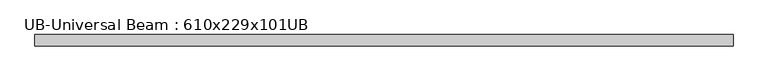
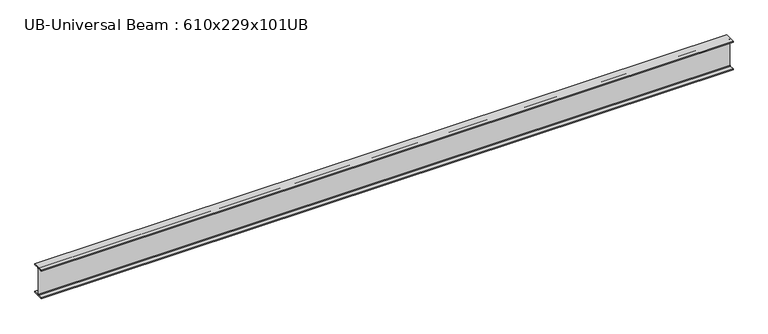
"""IFC4 building model written with IfcOpenShell, lengths in millimetres: beam geometry, UB-Universal Beam : 610x229x101UB."""

import ifcopenshell
import ifcopenshell.guid

model = None  # the IFC model being written
_history = None  # IfcOwnerHistory: only IFC2X3 demands one
_inside = {}  # id of a spatial element -> (the spatial element, [elements in it])
_under = {}  # id of a project, library or spatial element -> (it, [spatial elements below it])
_declared = {}  # id of a project -> (the project, [libraries it declares])
_typed = {}  # id of a type object -> (the type object, [elements of that type])
_made_of = {}  # id of a material, layer set ... -> (it, [elements and type objects made of it])


def new_model(schema):
    """Start an empty IFC model of exactly this schema.

    Asked for "IFC4X3", IfcOpenShell would pick the latest addendum, in which some entities
    have other attributes; the version numbers below select the first issue.
    IFC2X3 requires an IfcOwnerHistory on every rooted entity: one is made here for all.
    """
    global model, _history
    if schema == "IFC4X3":
        model = ifcopenshell.file(schema_version=(4, 3, 0, 0))
    else:
        model = ifcopenshell.file(schema=schema)
    _inside.clear()
    _under.clear()
    _declared.clear()
    _typed.clear()
    _made_of.clear()
    _history = None
    if model.schema == "IFC2X3":
        org = make("IfcOrganization", Name="unknown")
        user = make(
            "IfcPersonAndOrganization",
            ThePerson=make("IfcPerson", FamilyName="unknown"),
            TheOrganization=org,
        )
        app = make(
            "IfcApplication",
            ApplicationDeveloper=org,
            Version="unknown",
            ApplicationFullName="unknown",
            ApplicationIdentifier="unknown",
        )
        _history = make(
            "IfcOwnerHistory",
            OwningUser=user,
            OwningApplication=app,
            ChangeAction="ADDED",
            CreationDate=0,
        )
    return model


def make(cls, **values):
    """One entity of the class cls with the attributes given. An attribute that is None is left unset."""
    return model.create_entity(
        cls, **{name: value for name, value in values.items() if value is not None}
    )


def rooted(cls, **values):
    """An entity with a GlobalId (a new one), such as an element, a storey or a relation."""
    return make(cls, GlobalId=ifcopenshell.guid.new(), OwnerHistory=_history, **values)


def si_unit(unit_type, name, prefix=None):
    """IfcSIUnit, for example si_unit("LENGTHUNIT", "METRE", prefix="MILLI")."""
    return make("IfcSIUnit", UnitType=unit_type, Prefix=prefix, Name=name)


def assignment(units):
    """IfcUnitAssignment: the units of a project."""
    return None if units is None else make("IfcUnitAssignment", Units=units)


def point(xyz):
    """IfcCartesianPoint."""
    return None if xyz is None else make("IfcCartesianPoint", Coordinates=xyz)


def direction(xyz):
    """IfcDirection."""
    return None if xyz is None else make("IfcDirection", DirectionRatios=xyz)


def frame(location, z_axis=None, x_axis=None):
    """IfcAxis2Placement3D, a coordinate frame: its origin and axes. An axis left out is left unset."""
    return make(
        "IfcAxis2Placement3D",
        Location=point(location),
        Axis=direction(z_axis),
        RefDirection=direction(x_axis),
    )


def frame_2d(location, x_axis=None):
    """IfcAxis2Placement2D, a coordinate frame in the plane: its origin and x axis."""
    return make(
        "IfcAxis2Placement2D", Location=point(location), RefDirection=direction(x_axis)
    )


def origin():
    """The frame at (0, 0, 0) with its axes left unset."""
    return frame((0.0, 0.0, 0.0))


def place(relative_to, where):
    """IfcLocalPlacement: puts the frame where relative to a parent placement (None: the world)."""
    return make(
        "IfcLocalPlacement", PlacementRelTo=relative_to, RelativePlacement=where
    )


def context(
    kind, dimensions, precision=None, world=None, true_north=None, identifier=None
):
    """IfcGeometricRepresentationContext, for example the 3D "Model" context."""
    return make(
        "IfcGeometricRepresentationContext",
        ContextIdentifier=identifier,
        ContextType=kind,
        CoordinateSpaceDimension=dimensions,
        Precision=precision,
        WorldCoordinateSystem=world,
        TrueNorth=true_north,
    )


def project(units=None, contexts=None):
    """IfcProject with its units and contexts."""
    return rooted(
        "IfcProject",
        Name="project",
        RepresentationContexts=contexts,
        UnitsInContext=assignment(units),
    )


def spatial(cls, under=None, at=None, **own):
    """A site, building, storey or space (cls), placed at a placement, below another one or the project."""
    s = rooted(cls, ObjectPlacement=at, **own)
    if under is not None:
        _under.setdefault(under.id(), (under, []))[1].append(s)
    return s


def polyline(points):
    """IfcPolyline through the points."""
    return make("IfcPolyline", Points=[point(p) for p in points])


def circle_curve(where, radius):
    """IfcCircle in the frame where."""
    return make("IfcCircle", Position=where, Radius=radius)


def trimmed(basis, trim1, trim2, sense, master):
    """IfcTrimmedCurve: the piece of a basis curve between two trims."""
    return make(
        "IfcTrimmedCurve",
        BasisCurve=basis,
        Trim1=trim1,
        Trim2=trim2,
        SenseAgreement=sense,
        MasterRepresentation=master,
    )


def segment(curve, same_sense, transition):
    """IfcCompositeCurveSegment."""
    return make(
        "IfcCompositeCurveSegment",
        Transition=transition,
        SameSense=same_sense,
        ParentCurve=curve,
    )


def composite_curve(segments, self_intersect=None):
    """IfcCompositeCurve: segments joined end to end."""
    return make("IfcCompositeCurve", Segments=segments, SelfIntersect=self_intersect)


def outline(outer, holes=None, kind="AREA"):
    """IfcArbitraryClosedProfileDef: a profile drawn as a closed curve; with holes, ...WithVoids."""
    if holes is None:
        return make("IfcArbitraryClosedProfileDef", ProfileType=kind, OuterCurve=outer)
    return make(
        "IfcArbitraryProfileDefWithVoids",
        ProfileType=kind,
        OuterCurve=outer,
        InnerCurves=holes,
    )


def extrude(swept, where, along, depth):
    """IfcExtrudedAreaSolid: the profile swept, set in the frame where, extruded along a direction by depth."""
    return make(
        "IfcExtrudedAreaSolid",
        SweptArea=swept,
        Position=where,
        ExtrudedDirection=direction(along),
        Depth=depth,
    )


def shape(context_of_items, identifier, shape_type, items):
    """IfcShapeRepresentation: the items that make up one representation, for example the "Body"."""
    return make(
        "IfcShapeRepresentation",
        ContextOfItems=context_of_items,
        RepresentationIdentifier=identifier,
        RepresentationType=shape_type,
        Items=items,
    )


def source(mapping_origin, context_of_items, identifier, shape_type, items):
    """IfcRepresentationMap: a shape defined once, which mapped items show again and again."""
    return make(
        "IfcRepresentationMap",
        MappingOrigin=mapping_origin,
        MappedRepresentation=shape(context_of_items, identifier, shape_type, items),
    )


def transform(
    local_origin,
    x_axis=None,
    y_axis=None,
    z_axis=None,
    scale=None,
    scale2=None,
    scale3=None,
    uniform=True,
):
    """IfcCartesianTransformationOperator3D, or its non-uniform kind. x_axis, y_axis, z_axis: its Axis1, 2, 3."""
    if uniform:
        return make(
            "IfcCartesianTransformationOperator3D",
            Axis1=direction(x_axis),
            Axis2=direction(y_axis),
            LocalOrigin=point(local_origin),
            Scale=scale,
            Axis3=direction(z_axis),
        )
    return make(
        "IfcCartesianTransformationOperator3DnonUniform",
        Axis1=direction(x_axis),
        Axis2=direction(y_axis),
        LocalOrigin=point(local_origin),
        Scale=scale,
        Axis3=direction(z_axis),
        Scale2=scale2,
        Scale3=scale3,
    )


def mapped(mapping_source, mapping_target):
    """IfcMappedItem: shows the shape of a source again, moved by a transform."""
    return make(
        "IfcMappedItem", MappingSource=mapping_source, MappingTarget=mapping_target
    )


def made_of(thing, what):
    """Note that an element or type object is made of a material, layer set ...; save() writes the relation."""
    if what is not None:
        _made_of.setdefault(what.id(), (what, []))[1].append(thing)
    return thing


def element(
    cls,
    number,
    at=None,
    inside=None,
    cuts=None,
    type_object=None,
    material=None,
    context=None,
    identifier="Body",
    shape_type=None,
    held_by="IfcProductDefinitionShape",
    body=None,
    shapes=None,
    **own,
):
    """One element of the class cls, such as IfcWall. Its Tag is "e" and its number.

    at: its placement. inside: the storey or other place that contains it. cuts: it is an
    opening in that element (IfcRelVoidsElement). A single representation is given by context,
    identifier, shape_type and body (its items); several are given by shapes. held_by: the class
    of the entity that holds the representations. save() writes the other relations.
    """
    e = rooted(cls, Tag="e%d" % number, ObjectPlacement=at, **own)
    if body is not None:
        shapes = [shape(context, identifier, shape_type, body)]
    if shapes is not None:
        e.Representation = make(held_by, Representations=shapes)
    if inside is not None:
        _inside.setdefault(inside.id(), (inside, []))[1].append(e)
    if cuts is not None:
        rooted(
            "IfcRelVoidsElement", RelatingBuildingElement=cuts, RelatedOpeningElement=e
        )
    if type_object is not None:
        _typed.setdefault(type_object.id(), (type_object, []))[1].append(e)
    return made_of(e, material)


def aggregate(whole, parts):
    """IfcRelAggregates: a whole, such as a stair, and the parts it consists of."""
    return rooted("IfcRelAggregates", RelatingObject=whole, RelatedObjects=parts)


def save(model, path):
    """Write the relations noted so far, then the file.

    IfcRelAggregates (storeys below a building ...), IfcRelContainedInSpatialStructure (elements
    in a storey), IfcRelDefinesByType, IfcRelAssociatesMaterial and IfcRelDeclares: one each for
    every whole, place, type object, material and project.
    """
    for whole, parts in _under.values():
        aggregate(whole, parts)
    for where, things in _inside.values():
        rooted(
            "IfcRelContainedInSpatialStructure",
            RelatedElements=things,
            RelatingStructure=where,
        )
    for kind, things in _typed.values():
        rooted("IfcRelDefinesByType", RelatedObjects=things, RelatingType=kind)
    for what, things in _made_of.values():
        rooted("IfcRelAssociatesMaterial", RelatedObjects=things, RelatingMaterial=what)
    for by, libraries in _declared.values():
        rooted("IfcRelDeclares", RelatingContext=by, RelatedDefinitions=libraries)
    model.write(path)


def ub_universal_beam_610x229x101ub_dbce153d(model_context):
    return source(origin(), model_context, "Body", "SweptSolid", [
        extrude(outline(composite_curve([segment(polyline([(113.8, -286.5), (113.8, -301.3), (-113.8, -301.3), (-113.8, -286.5), (-17.95, -286.5)]), True, "CONTINUOUS"), segment(trimmed(circle_curve(frame_2d((-17.95, -273.8)), 12.7), [point((-17.95, -286.5))], [point((-5.25, -273.8))], True, "CARTESIAN"), True, "CONTINUOUS"), segment(polyline([(-5.25, -273.8), (-5.25, 273.8)]), True, "CONTINUOUS"), segment(trimmed(circle_curve(frame_2d((-17.95, 273.8)), 12.7), [point((-5.25, 273.8))], [point((-17.95, 286.5))], True, "CARTESIAN"), True, "CONTINUOUS"), segment(polyline([(-17.95, 286.5), (-113.8, 286.5), (-113.8, 301.3), (113.8, 301.3), (113.8, 286.5), (17.95, 286.5)]), True, "CONTINUOUS"), segment(trimmed(circle_curve(frame_2d((17.95, 273.8)), 12.7), [point((17.95, 286.5))], [point((5.25, 273.8))], True, "CARTESIAN"), True, "CONTINUOUS"), segment(polyline([(5.25, 273.8), (5.25, -273.8)]), True, "CONTINUOUS"), segment(trimmed(circle_curve(frame_2d((17.95, -273.8)), 12.7), [point((5.25, -273.8))], [point((17.95, -286.5))], True, "CARTESIAN"), True, "CONTINUOUS"), segment(polyline([(17.95, -286.5), (113.8, -286.5)]), True, "CONTINUOUS")], self_intersect=False)), frame((-6921.922675, 0.0, 0.0), z_axis=(1.0, 0.0, 0.0), x_axis=(0.0, 1.0, 0.0)), (0.0, 0.0, 1.0), 13970.4229085),
    ])


if __name__ == "__main__":
    model = new_model("IFC4")
    model_context = context("Model", 3, world=origin())
    ifc_project = project(units=[si_unit("LENGTHUNIT", "METRE", prefix="MILLI")], contexts=[model_context])
    site = spatial("IfcSite", under=ifc_project)
    building = spatial("IfcBuilding", under=site)
    placement = place(None, origin())
    ub_universal_beam_610x229x101ub_shape = ub_universal_beam_610x229x101ub_dbce153d(model_context)
    element("IfcBeam", 1, ObjectType="UB-Universal Beam : 610x229x101UB", at=placement, inside=building, context=model_context, shape_type="MappedRepresentation", body=[
        mapped(ub_universal_beam_610x229x101ub_shape, transform((0.0, 0.0, 0.0), x_axis=(1.0, 0.0, 0.0), y_axis=(0.0, 1.0, 0.0), z_axis=(0.0, 0.0, 1.0))),
    ])
    save(model, "model.ifc")
